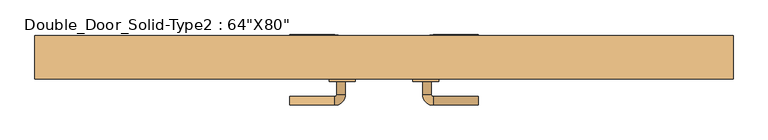
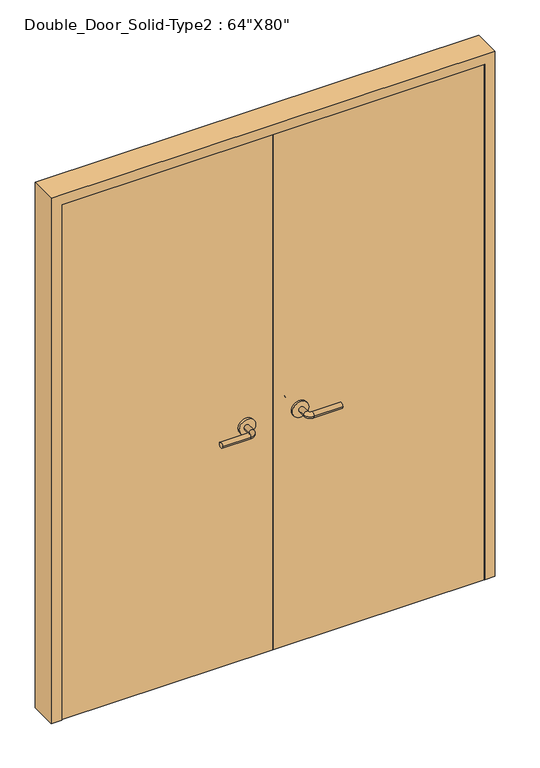
"""IFC4 building model written with IfcOpenShell, lengths in millimetres: door geometry."""

from ifc_helpers import new_model, si_unit, point, frame, frame_2d, origin, origin_with_axes, place, context, project, spatial, polyline, circle_curve, ellipse_curve, trimmed, segment, composite_curve, outline, extrude, source, transform, mapped, element, save
from ifc_brep_helpers import plane_surface, cylinder_surface, revolved_surface, advanced_brep


def door_a3510dfa(model_context):
    return source(origin(), model_context, "Body", "SolidModel", [
        advanced_brep(
        [(-90.0, 86.1, 900.0), (-110.0, 86.1, 900.0), (-110.0, 116.1, 900.0), (-90.0, 116.1, 900.0), (-115.0, 121.1, 900.0), (-115.0, 141.1, 900.0), (-220.0, 141.1, 900.0), (-220.0, 121.1, 900.0)],
        [
            (0, 1, circle_curve(frame((-100.0, 86.1, 900.0), z_axis=(0.0, -1.0, 0.0), x_axis=(-1.0, 0.0, 0.0)), 10.0)),
            (1, 0, circle_curve(frame((-100.0, 86.1, 900.0), z_axis=(0.0, -1.0, 0.0), x_axis=(-1.0, 0.0, 0.0)), 10.0)),
            (1, 2),
            (2, 3, circle_curve(frame((-100.0, 116.1, 900.0), z_axis=(0.0, -1.0, 0.0), x_axis=(-1.0, 0.0, 0.0)), 10.0)),
            (3, 0),
            (3, 2, circle_curve(frame((-100.0, 116.1, 900.0), z_axis=(0.0, -1.0, 0.0), x_axis=(-1.0, 0.0, 0.0)), 10.0)),
            (4, 5, circle_curve(frame((-115.0, 131.1, 900.0), z_axis=(1.0, 0.0, 0.0), x_axis=(0.0, -1.0, 0.0)), 10.0)),
            (5, 3, circle_curve(frame((-115.0, 116.1, 900.0), z_axis=(0.0, 0.0, -1.0), x_axis=(1.0, 0.0, 0.0)), 25.0)),
            (2, 4, circle_curve(frame((-115.0, 116.1, 900.0), z_axis=(0.0, 0.0, 1.0), x_axis=(1.0, 0.0, 0.0)), 5.0)),
            (5, 4, circle_curve(frame((-115.0, 131.1, 900.0), z_axis=(1.0, 0.0, 0.0), x_axis=(0.0, -1.0, 0.0)), 10.0)),
            (6, 7, circle_curve(frame((-220.0, 131.1, 900.0), z_axis=(-1.0, 0.0, 0.0), x_axis=(0.0, -1.0, 0.0)), 10.0)),
            (7, 6, circle_curve(frame((-220.0, 131.1, 900.0), z_axis=(-1.0, 0.0, 0.0), x_axis=(0.0, -1.0, 0.0)), 10.0)),
            (4, 7),
            (6, 5),
        ],
        [
            plane_surface(frame((-100.0, 86.1, 900.0), z_axis=(0.0, -1.0, 0.0), x_axis=(0.0, 0.0, 1.0))),
            cylinder_surface(frame((-100.0, 86.1, 900.0), z_axis=(0.0, -1.0, 0.0), x_axis=(-1.0, 0.0, 0.0)), 10.0),
            revolved_surface(trimmed(ellipse_curve(frame((-100.0, 116.1, 900.0), z_axis=(0.0, 1.0, 0.0), x_axis=(-1.0, 0.0, 0.0)), 10.0, 10.0), [point((-90.0, 116.1, 900.0))], [point((-110.0, 116.1, 900.0))], True, "CARTESIAN"), (-115.0, 116.1, 900.0), (0.0, 0.0, -1.0)),
            revolved_surface(trimmed(ellipse_curve(frame((-100.0, 116.1, 900.0), z_axis=(0.0, 1.0, 0.0), x_axis=(-1.0, 0.0, 0.0)), 10.0, 10.0), [point((-110.0, 116.1, 900.0))], [point((-90.0, 116.1, 900.0))], True, "CARTESIAN"), (-115.0, 116.1, 900.0), (0.0, 0.0, -1.0)),
            plane_surface(frame((-220.0, 131.1, 900.0), z_axis=(-1.0, 0.0, 0.0), x_axis=(0.0, 0.0, 1.0))),
            cylinder_surface(frame((-115.0, 131.1, 900.0), z_axis=(1.0, 0.0, 0.0), x_axis=(0.0, -1.0, 0.0)), 10.0),
        ],
        [
            (0, [[1, 2]]),
            (1, [[3, 4, 5, -2]]),
            (1, [[-5, 6, -3, -1]]),
            (2, [[7, 8, -4, 9]]),
            (3, [[10, -9, -6, -8]]),
            (4, [[11, 12]]),
            (5, [[13, -11, 14, -7]]),
            (5, [[-14, -12, -13, -10]]),
        ],
    ),
        extrude(outline(composite_curve([segment(trimmed(circle_curve(frame_2d((900.0, -97.5)), 30.0), [point((900.0, -67.5))], [point((900.0, -127.5))], False, "CARTESIAN"), True, "CONTINUOUS"), segment(trimmed(circle_curve(frame_2d((900.0, -97.5)), 30.0), [point((900.0, -127.5))], [point((900.0, -67.5))], False, "CARTESIAN"), True, "CONTINUOUS")], self_intersect=False)), frame((0.0, 78.1, 0.0), z_axis=(0.0, 1.0, 0.0), x_axis=(0.0, 0.0, 1.0)), (0.0, 0.0, 1.0), 8.0),
        advanced_brep(
        [(90.0, 86.1, 900.0), (110.0, 86.1, 900.0), (90.0, 116.1, 900.0), (110.0, 116.1, 900.0), (115.0, 121.1, 900.0), (115.0, 141.1, 900.0), (220.0, 141.1, 900.0), (220.0, 121.1, 900.0)],
        [
            (0, 1, circle_curve(frame((100.0, 86.1, 900.0), z_axis=(0.0, -1.0, 0.0), x_axis=(1.0, 0.0, 0.0)), 10.0)),
            (1, 0, circle_curve(frame((100.0, 86.1, 900.0), z_axis=(0.0, -1.0, 0.0), x_axis=(1.0, 0.0, 0.0)), 10.0)),
            (0, 2),
            (2, 3, circle_curve(frame((100.0, 116.1, 900.0), z_axis=(0.0, -1.0, 0.0), x_axis=(1.0, 0.0, 0.0)), 10.0)),
            (3, 1),
            (3, 2, circle_curve(frame((100.0, 116.1, 900.0), z_axis=(0.0, -1.0, 0.0), x_axis=(1.0, 0.0, 0.0)), 10.0)),
            (4, 3, circle_curve(frame((115.0, 116.1, 900.0), z_axis=(0.0, 0.0, 1.0), x_axis=(-1.0, 0.0, 0.0)), 5.0)),
            (2, 5, circle_curve(frame((115.0, 116.1, 900.0), z_axis=(0.0, 0.0, -1.0), x_axis=(-1.0, 0.0, 0.0)), 25.0)),
            (5, 4, circle_curve(frame((115.0, 131.1, 900.0), z_axis=(-1.0, 0.0, 0.0), x_axis=(0.0, -1.0, 0.0)), 10.0)),
            (4, 5, circle_curve(frame((115.0, 131.1, 900.0), z_axis=(-1.0, 0.0, 0.0), x_axis=(0.0, -1.0, 0.0)), 10.0)),
            (6, 7, circle_curve(frame((220.0, 131.1, 900.0), z_axis=(1.0, 0.0, 0.0), x_axis=(0.0, -1.0, 0.0)), 10.0)),
            (7, 6, circle_curve(frame((220.0, 131.1, 900.0), z_axis=(1.0, 0.0, 0.0), x_axis=(0.0, -1.0, 0.0)), 10.0)),
            (5, 6),
            (7, 4),
        ],
        [
            plane_surface(frame((100.0, 86.1, 900.0), z_axis=(0.0, -1.0, 0.0), x_axis=(0.0, 0.0, 1.0))),
            cylinder_surface(frame((100.0, 86.1, 900.0), z_axis=(0.0, -1.0, 0.0), x_axis=(1.0, 0.0, 0.0)), 10.0),
            revolved_surface(trimmed(ellipse_curve(frame((100.0, 116.1, 900.0), z_axis=(0.0, -1.0, 0.0), x_axis=(1.0, 0.0, 0.0)), 10.0, 10.0), [point((90.0, 116.1, 900.0))], [point((110.0, 116.1, 900.0))], True, "CARTESIAN"), (115.0, 116.1, 900.0), (0.0, 0.0, -1.0)),
            revolved_surface(trimmed(ellipse_curve(frame((100.0, 116.1, 900.0), z_axis=(0.0, -1.0, 0.0), x_axis=(1.0, 0.0, 0.0)), 10.0, 10.0), [point((110.0, 116.1, 900.0))], [point((90.0, 116.1, 900.0))], True, "CARTESIAN"), (115.0, 116.1, 900.0), (0.0, 0.0, -1.0)),
            plane_surface(frame((220.0, 131.1, 900.0), z_axis=(1.0, 0.0, 0.0), x_axis=(0.0, 0.0, 1.0))),
            cylinder_surface(frame((115.0, 131.1, 900.0), z_axis=(-1.0, 0.0, 0.0), x_axis=(0.0, -1.0, 0.0)), 10.0),
        ],
        [
            (0, [[1, 2]]),
            (1, [[-1, 3, 4, 5]]),
            (1, [[-2, -5, 6, -3]]),
            (2, [[7, -4, 8, 9]]),
            (3, [[-8, -6, -7, 10]]),
            (4, [[11, 12]]),
            (5, [[-9, 13, -12, 14]]),
            (5, [[-10, -14, -11, -13]]),
        ],
    ),
        extrude(outline(composite_curve([segment(trimmed(circle_curve(frame_2d((900.0, 97.5)), 30.0), [point((900.0, 67.5))], [point((900.0, 127.5))], False, "CARTESIAN"), True, "CONTINUOUS"), segment(trimmed(circle_curve(frame_2d((900.0, 97.5)), 30.0), [point((900.0, 127.5))], [point((900.0, 67.5))], False, "CARTESIAN"), True, "CONTINUOUS")], self_intersect=False)), frame((0.0, 78.1, 0.0), z_axis=(0.0, 1.0, 0.0), x_axis=(0.0, 0.0, 1.0)), (0.0, 0.0, 1.0), 8.0),
        advanced_brep(
        [(-90.0, 32.0, 900.0), (-110.0, 32.0, 900.0), (-90.0, 2.0, 900.0), (-110.0, 2.0, 900.0), (-115.0, -3.0, 900.0), (-115.0, -23.0, 900.0), (-220.0, -23.0, 900.0), (-220.0, -3.0, 900.0)],
        [
            (0, 1, circle_curve(frame((-100.0, 32.0, 900.0), z_axis=(0.0, 1.0, 0.0), x_axis=(-1.0, 0.0, 0.0)), 10.0)),
            (1, 0, circle_curve(frame((-100.0, 32.0, 900.0), z_axis=(0.0, 1.0, 0.0), x_axis=(-1.0, 0.0, 0.0)), 10.0)),
            (0, 2),
            (2, 3, circle_curve(frame((-100.0, 2.0, 900.0), z_axis=(0.0, 1.0, 0.0), x_axis=(-1.0, 0.0, 0.0)), 10.0)),
            (3, 1),
            (3, 2, circle_curve(frame((-100.0, 2.0, 900.0), z_axis=(0.0, 1.0, 0.0), x_axis=(-1.0, 0.0, 0.0)), 10.0)),
            (4, 3, circle_curve(frame((-115.0, 2.0, 900.0), z_axis=(0.0, 0.0, 1.0), x_axis=(1.0, 0.0, 0.0)), 5.0)),
            (2, 5, circle_curve(frame((-115.0, 2.0, 900.0), z_axis=(0.0, 0.0, -1.0), x_axis=(1.0, 0.0, 0.0)), 25.0)),
            (5, 4, circle_curve(frame((-115.0, -13.0, 900.0), z_axis=(1.0, 0.0, 0.0), x_axis=(0.0, 1.0, 0.0)), 10.0)),
            (4, 5, circle_curve(frame((-115.0, -13.0, 900.0), z_axis=(1.0, 0.0, 0.0), x_axis=(0.0, 1.0, 0.0)), 10.0)),
            (6, 7, circle_curve(frame((-220.0, -13.0, 900.0), z_axis=(-1.0, 0.0, 0.0), x_axis=(0.0, 1.0, 0.0)), 10.0)),
            (7, 6, circle_curve(frame((-220.0, -13.0, 900.0), z_axis=(-1.0, 0.0, 0.0), x_axis=(0.0, 1.0, 0.0)), 10.0)),
            (5, 6),
            (7, 4),
        ],
        [
            plane_surface(frame((-100.0, 32.0, 900.0), z_axis=(0.0, 1.0, 0.0), x_axis=(0.0, 0.0, 1.0))),
            cylinder_surface(frame((-100.0, 32.0, 900.0), z_axis=(0.0, 1.0, 0.0), x_axis=(-1.0, 0.0, 0.0)), 10.0),
            revolved_surface(trimmed(ellipse_curve(frame((-100.0, 2.0, 900.0), z_axis=(0.0, 1.0, 0.0), x_axis=(-1.0, 0.0, 0.0)), 10.0, 10.0), [point((-90.0, 2.0, 900.0))], [point((-110.0, 2.0, 900.0))], True, "CARTESIAN"), (-115.0, 2.0, 900.0), (0.0, 0.0, -1.0)),
            revolved_surface(trimmed(ellipse_curve(frame((-100.0, 2.0, 900.0), z_axis=(0.0, 1.0, 0.0), x_axis=(-1.0, 0.0, 0.0)), 10.0, 10.0), [point((-110.0, 2.0, 900.0))], [point((-90.0, 2.0, 900.0))], True, "CARTESIAN"), (-115.0, 2.0, 900.0), (0.0, 0.0, -1.0)),
            plane_surface(frame((-220.0, -13.0, 900.0), z_axis=(-1.0, 0.0, 0.0), x_axis=(0.0, 0.0, 1.0))),
            cylinder_surface(frame((-115.0, -13.0, 900.0), z_axis=(1.0, 0.0, 0.0), x_axis=(0.0, 1.0, 0.0)), 10.0),
        ],
        [
            (0, [[1, 2]]),
            (1, [[-1, 3, 4, 5]]),
            (1, [[-2, -5, 6, -3]]),
            (2, [[7, -4, 8, 9]]),
            (3, [[-8, -6, -7, 10]]),
            (4, [[11, 12]]),
            (5, [[-9, 13, -12, 14]]),
            (5, [[-10, -14, -11, -13]]),
        ],
    ),
        extrude(outline(composite_curve([segment(trimmed(circle_curve(frame_2d((900.0, -97.5)), 30.0), [point((900.0, -67.5))], [point((900.0, -127.5))], False, "CARTESIAN"), True, "CONTINUOUS"), segment(trimmed(circle_curve(frame_2d((900.0, -97.5)), 30.0), [point((900.0, -127.5))], [point((900.0, -67.5))], False, "CARTESIAN"), True, "CONTINUOUS")], self_intersect=False)), frame((0.0, 32.0, 0.0), z_axis=(0.0, 1.0, 0.0), x_axis=(0.0, 0.0, 1.0)), (0.0, 0.0, 1.0), 8.0),
        advanced_brep(
        [(90.0, 32.0, 900.0), (110.0, 32.0, 900.0), (110.0, 2.0, 900.0), (90.0, 2.0, 900.0), (115.0, -3.0, 900.0), (115.0, -23.0, 900.0), (220.0, -23.0, 900.0), (220.0, -3.0, 900.0)],
        [
            (0, 1, circle_curve(frame((100.0, 32.0, 900.0), z_axis=(0.0, 1.0, 0.0), x_axis=(1.0, 0.0, 0.0)), 10.0)),
            (1, 0, circle_curve(frame((100.0, 32.0, 900.0), z_axis=(0.0, 1.0, 0.0), x_axis=(1.0, 0.0, 0.0)), 10.0)),
            (1, 2),
            (2, 3, circle_curve(frame((100.0, 2.0, 900.0), z_axis=(0.0, 1.0, 0.0), x_axis=(1.0, 0.0, 0.0)), 10.0)),
            (3, 0),
            (3, 2, circle_curve(frame((100.0, 2.0, 900.0), z_axis=(0.0, 1.0, 0.0), x_axis=(1.0, 0.0, 0.0)), 10.0)),
            (4, 5, circle_curve(frame((115.0, -13.0, 900.0), z_axis=(-1.0, 0.0, 0.0), x_axis=(0.0, 1.0, 0.0)), 10.0)),
            (5, 3, circle_curve(frame((115.0, 2.0, 900.0), z_axis=(0.0, 0.0, -1.0), x_axis=(-1.0, 0.0, 0.0)), 25.0)),
            (2, 4, circle_curve(frame((115.0, 2.0, 900.0), z_axis=(0.0, 0.0, 1.0), x_axis=(-1.0, 0.0, 0.0)), 5.0)),
            (5, 4, circle_curve(frame((115.0, -13.0, 900.0), z_axis=(-1.0, 0.0, 0.0), x_axis=(0.0, 1.0, 0.0)), 10.0)),
            (6, 7, circle_curve(frame((220.0, -13.0, 900.0), z_axis=(1.0, 0.0, 0.0), x_axis=(0.0, 1.0, 0.0)), 10.0)),
            (7, 6, circle_curve(frame((220.0, -13.0, 900.0), z_axis=(1.0, 0.0, 0.0), x_axis=(0.0, 1.0, 0.0)), 10.0)),
            (4, 7),
            (6, 5),
        ],
        [
            plane_surface(frame((100.0, 32.0, 900.0), z_axis=(0.0, 1.0, 0.0), x_axis=(0.0, 0.0, 1.0))),
            cylinder_surface(frame((100.0, 32.0, 900.0), z_axis=(0.0, 1.0, 0.0), x_axis=(1.0, 0.0, 0.0)), 10.0),
            revolved_surface(trimmed(ellipse_curve(frame((100.0, 2.0, 900.0), z_axis=(0.0, -1.0, 0.0), x_axis=(1.0, 0.0, 0.0)), 10.0, 10.0), [point((90.0, 2.0, 900.0))], [point((110.0, 2.0, 900.0))], True, "CARTESIAN"), (115.0, 2.0, 900.0), (0.0, 0.0, -1.0)),
            revolved_surface(trimmed(ellipse_curve(frame((100.0, 2.0, 900.0), z_axis=(0.0, -1.0, 0.0), x_axis=(1.0, 0.0, 0.0)), 10.0, 10.0), [point((110.0, 2.0, 900.0))], [point((90.0, 2.0, 900.0))], True, "CARTESIAN"), (115.0, 2.0, 900.0), (0.0, 0.0, -1.0)),
            plane_surface(frame((220.0, -13.0, 900.0), z_axis=(1.0, 0.0, 0.0), x_axis=(0.0, 0.0, 1.0))),
            cylinder_surface(frame((115.0, -13.0, 900.0), z_axis=(-1.0, 0.0, 0.0), x_axis=(0.0, 1.0, 0.0)), 10.0),
        ],
        [
            (0, [[1, 2]]),
            (1, [[3, 4, 5, -2]]),
            (1, [[-5, 6, -3, -1]]),
            (2, [[7, 8, -4, 9]]),
            (3, [[10, -9, -6, -8]]),
            (4, [[11, 12]]),
            (5, [[13, -11, 14, -7]]),
            (5, [[-14, -12, -13, -10]]),
        ],
    ),
        extrude(outline(composite_curve([segment(trimmed(circle_curve(frame_2d((900.0, 97.5)), 30.0), [point((900.0, 67.5))], [point((900.0, 127.5))], False, "CARTESIAN"), True, "CONTINUOUS"), segment(trimmed(circle_curve(frame_2d((900.0, 97.5)), 30.0), [point((900.0, 127.5))], [point((900.0, 67.5))], False, "CARTESIAN"), True, "CONTINUOUS")], self_intersect=False)), frame((0.0, 32.0, 0.0), z_axis=(0.0, 1.0, 0.0), x_axis=(0.0, 0.0, 1.0)), (0.0, 0.0, 1.0), 8.0),
        extrude(outline(polyline([(0.0, -774.7), (1993.9, -774.7), (1993.9, 774.7), (0.0, 774.7), (0.0, 812.8), (2032.0, 812.8), (2032.0, -812.8), (0.0, -812.8), (0.0, -774.7)])), frame((0.0, 38.1, 0.0), z_axis=(0.0, 1.0, 0.0), x_axis=(0.0, 0.0, 1.0)), (0.0, 0.0, 1.0), 101.6),
        extrude(outline(polyline([(0.0, 78.1), (0.0, 40.0), (-774.7, 40.0), (-774.7, 78.1), (0.0, 78.1)])), origin_with_axes(), (0.0, 0.0, 1.0), 1993.9),
        extrude(outline(polyline([(774.7, 78.1), (774.7, 40.0), (0.0, 40.0), (0.0, 78.1), (774.7, 78.1)])), origin_with_axes(), (0.0, 0.0, 1.0), 1993.9),
    ])


if __name__ == "__main__":
    model = new_model("IFC4")
    model_context = context("Model", 3, world=origin())
    ifc_project = project(units=[si_unit("LENGTHUNIT", "METRE", prefix="MILLI")], contexts=[model_context])
    site = spatial("IfcSite", under=ifc_project)
    building = spatial("IfcBuilding", under=site)
    placement = place(None, origin())
    door_shape = door_a3510dfa(model_context)
    element("IfcDoor", 1, ObjectType="Double_Door_Solid-Type2 : 64\"X80\"", at=placement, inside=building, context=model_context, shape_type="MappedRepresentation", body=[
        mapped(door_shape, transform((0.0, 0.0, 0.0), x_axis=(1.0, 0.0, 0.0), y_axis=(0.0, 1.0, 0.0), z_axis=(0.0, 0.0, 1.0))),
    ])
    save(model, "model.ifc")
